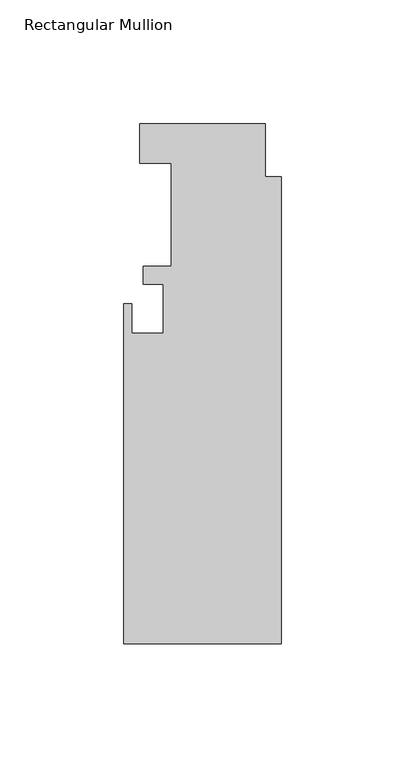
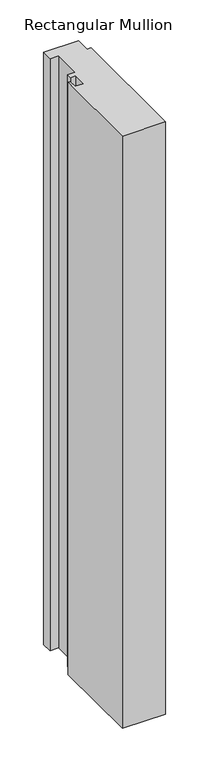
"""IFC4 building model written with IfcOpenShell, lengths in millimetres: member geometry, Rectangular Mullion."""

import ifcopenshell
import ifcopenshell.guid

model = None  # the IFC model being written
_history = None  # IfcOwnerHistory: only IFC2X3 demands one
_inside = {}  # id of a spatial element -> (the spatial element, [elements in it])
_under = {}  # id of a project, library or spatial element -> (it, [spatial elements below it])
_declared = {}  # id of a project -> (the project, [libraries it declares])
_typed = {}  # id of a type object -> (the type object, [elements of that type])
_made_of = {}  # id of a material, layer set ... -> (it, [elements and type objects made of it])


def new_model(schema):
    """Start an empty IFC model of exactly this schema.

    Asked for "IFC4X3", IfcOpenShell would pick the latest addendum, in which some entities
    have other attributes; the version numbers below select the first issue.
    IFC2X3 requires an IfcOwnerHistory on every rooted entity: one is made here for all.
    """
    global model, _history
    if schema == "IFC4X3":
        model = ifcopenshell.file(schema_version=(4, 3, 0, 0))
    else:
        model = ifcopenshell.file(schema=schema)
    _inside.clear()
    _under.clear()
    _declared.clear()
    _typed.clear()
    _made_of.clear()
    _history = None
    if model.schema == "IFC2X3":
        org = make("IfcOrganization", Name="unknown")
        user = make(
            "IfcPersonAndOrganization",
            ThePerson=make("IfcPerson", FamilyName="unknown"),
            TheOrganization=org,
        )
        app = make(
            "IfcApplication",
            ApplicationDeveloper=org,
            Version="unknown",
            ApplicationFullName="unknown",
            ApplicationIdentifier="unknown",
        )
        _history = make(
            "IfcOwnerHistory",
            OwningUser=user,
            OwningApplication=app,
            ChangeAction="ADDED",
            CreationDate=0,
        )
    return model


def make(cls, **values):
    """One entity of the class cls with the attributes given. An attribute that is None is left unset."""
    return model.create_entity(
        cls, **{name: value for name, value in values.items() if value is not None}
    )


def rooted(cls, **values):
    """An entity with a GlobalId (a new one), such as an element, a storey or a relation."""
    return make(cls, GlobalId=ifcopenshell.guid.new(), OwnerHistory=_history, **values)


def si_unit(unit_type, name, prefix=None):
    """IfcSIUnit, for example si_unit("LENGTHUNIT", "METRE", prefix="MILLI")."""
    return make("IfcSIUnit", UnitType=unit_type, Prefix=prefix, Name=name)


def assignment(units):
    """IfcUnitAssignment: the units of a project."""
    return None if units is None else make("IfcUnitAssignment", Units=units)


def point(xyz):
    """IfcCartesianPoint."""
    return None if xyz is None else make("IfcCartesianPoint", Coordinates=xyz)


def direction(xyz):
    """IfcDirection."""
    return None if xyz is None else make("IfcDirection", DirectionRatios=xyz)


def frame(location, z_axis=None, x_axis=None):
    """IfcAxis2Placement3D, a coordinate frame: its origin and axes. An axis left out is left unset."""
    return make(
        "IfcAxis2Placement3D",
        Location=point(location),
        Axis=direction(z_axis),
        RefDirection=direction(x_axis),
    )


def origin():
    """The frame at (0, 0, 0) with its axes left unset."""
    return frame((0.0, 0.0, 0.0))


def place(relative_to, where):
    """IfcLocalPlacement: puts the frame where relative to a parent placement (None: the world)."""
    return make(
        "IfcLocalPlacement", PlacementRelTo=relative_to, RelativePlacement=where
    )


def context(
    kind, dimensions, precision=None, world=None, true_north=None, identifier=None
):
    """IfcGeometricRepresentationContext, for example the 3D "Model" context."""
    return make(
        "IfcGeometricRepresentationContext",
        ContextIdentifier=identifier,
        ContextType=kind,
        CoordinateSpaceDimension=dimensions,
        Precision=precision,
        WorldCoordinateSystem=world,
        TrueNorth=true_north,
    )


def project(units=None, contexts=None):
    """IfcProject with its units and contexts."""
    return rooted(
        "IfcProject",
        Name="project",
        RepresentationContexts=contexts,
        UnitsInContext=assignment(units),
    )


def spatial(cls, under=None, at=None, **own):
    """A site, building, storey or space (cls), placed at a placement, below another one or the project."""
    s = rooted(cls, ObjectPlacement=at, **own)
    if under is not None:
        _under.setdefault(under.id(), (under, []))[1].append(s)
    return s


def polyline(points):
    """IfcPolyline through the points."""
    return make("IfcPolyline", Points=[point(p) for p in points])


def outline(outer, holes=None, kind="AREA"):
    """IfcArbitraryClosedProfileDef: a profile drawn as a closed curve; with holes, ...WithVoids."""
    if holes is None:
        return make("IfcArbitraryClosedProfileDef", ProfileType=kind, OuterCurve=outer)
    return make(
        "IfcArbitraryProfileDefWithVoids",
        ProfileType=kind,
        OuterCurve=outer,
        InnerCurves=holes,
    )


def extrude(swept, where, along, depth):
    """IfcExtrudedAreaSolid: the profile swept, set in the frame where, extruded along a direction by depth."""
    return make(
        "IfcExtrudedAreaSolid",
        SweptArea=swept,
        Position=where,
        ExtrudedDirection=direction(along),
        Depth=depth,
    )


def shape(context_of_items, identifier, shape_type, items):
    """IfcShapeRepresentation: the items that make up one representation, for example the "Body"."""
    return make(
        "IfcShapeRepresentation",
        ContextOfItems=context_of_items,
        RepresentationIdentifier=identifier,
        RepresentationType=shape_type,
        Items=items,
    )


def source(mapping_origin, context_of_items, identifier, shape_type, items):
    """IfcRepresentationMap: a shape defined once, which mapped items show again and again."""
    return make(
        "IfcRepresentationMap",
        MappingOrigin=mapping_origin,
        MappedRepresentation=shape(context_of_items, identifier, shape_type, items),
    )


def transform(
    local_origin,
    x_axis=None,
    y_axis=None,
    z_axis=None,
    scale=None,
    scale2=None,
    scale3=None,
    uniform=True,
):
    """IfcCartesianTransformationOperator3D, or its non-uniform kind. x_axis, y_axis, z_axis: its Axis1, 2, 3."""
    if uniform:
        return make(
            "IfcCartesianTransformationOperator3D",
            Axis1=direction(x_axis),
            Axis2=direction(y_axis),
            LocalOrigin=point(local_origin),
            Scale=scale,
            Axis3=direction(z_axis),
        )
    return make(
        "IfcCartesianTransformationOperator3DnonUniform",
        Axis1=direction(x_axis),
        Axis2=direction(y_axis),
        LocalOrigin=point(local_origin),
        Scale=scale,
        Axis3=direction(z_axis),
        Scale2=scale2,
        Scale3=scale3,
    )


def mapped(mapping_source, mapping_target):
    """IfcMappedItem: shows the shape of a source again, moved by a transform."""
    return make(
        "IfcMappedItem", MappingSource=mapping_source, MappingTarget=mapping_target
    )


def made_of(thing, what):
    """Note that an element or type object is made of a material, layer set ...; save() writes the relation."""
    if what is not None:
        _made_of.setdefault(what.id(), (what, []))[1].append(thing)
    return thing


def element(
    cls,
    number,
    at=None,
    inside=None,
    cuts=None,
    type_object=None,
    material=None,
    context=None,
    identifier="Body",
    shape_type=None,
    held_by="IfcProductDefinitionShape",
    body=None,
    shapes=None,
    **own,
):
    """One element of the class cls, such as IfcWall. Its Tag is "e" and its number.

    at: its placement. inside: the storey or other place that contains it. cuts: it is an
    opening in that element (IfcRelVoidsElement). A single representation is given by context,
    identifier, shape_type and body (its items); several are given by shapes. held_by: the class
    of the entity that holds the representations. save() writes the other relations.
    """
    e = rooted(cls, Tag="e%d" % number, ObjectPlacement=at, **own)
    if body is not None:
        shapes = [shape(context, identifier, shape_type, body)]
    if shapes is not None:
        e.Representation = make(held_by, Representations=shapes)
    if inside is not None:
        _inside.setdefault(inside.id(), (inside, []))[1].append(e)
    if cuts is not None:
        rooted(
            "IfcRelVoidsElement", RelatingBuildingElement=cuts, RelatedOpeningElement=e
        )
    if type_object is not None:
        _typed.setdefault(type_object.id(), (type_object, []))[1].append(e)
    return made_of(e, material)


def aggregate(whole, parts):
    """IfcRelAggregates: a whole, such as a stair, and the parts it consists of."""
    return rooted("IfcRelAggregates", RelatingObject=whole, RelatedObjects=parts)


def save(model, path):
    """Write the relations noted so far, then the file.

    IfcRelAggregates (storeys below a building ...), IfcRelContainedInSpatialStructure (elements
    in a storey), IfcRelDefinesByType, IfcRelAssociatesMaterial and IfcRelDeclares: one each for
    every whole, place, type object, material and project.
    """
    for whole, parts in _under.values():
        aggregate(whole, parts)
    for where, things in _inside.values():
        rooted(
            "IfcRelContainedInSpatialStructure",
            RelatedElements=things,
            RelatingStructure=where,
        )
    for kind, things in _typed.values():
        rooted("IfcRelDefinesByType", RelatedObjects=things, RelatingType=kind)
    for what, things in _made_of.values():
        rooted("IfcRelAssociatesMaterial", RelatedObjects=things, RelatingMaterial=what)
    for by, libraries in _declared.values():
        rooted("IfcRelDeclares", RelatingContext=by, RelatedDefinitions=libraries)
    model.write(path)


def rectangular_mullion_a0900e08(model_context):
    return source(origin(), model_context, "Body", "SweptSolid", [
        extrude(outline(polyline([(-6.35, 20.6756), (-6.35, -0.6096), (0.0, -0.6096), (0.0, -189.2554), (-63.5, -189.2554), (-63.5, -51.9176), (-60.325, -51.9176), (-60.325, -63.8302), (-47.625, -63.8302), (-47.625, -44.0182), (-55.5752, -44.0182), (-55.5752, -36.8554), (-44.45, -36.8554), (-44.45, 4.8006), (-57.15, 4.8006), (-57.15, 20.6756), (-6.35, 20.6756)])), frame((0.0, 0.0, -914.4), z_axis=(0.0, 0.0, 1.0), x_axis=(1.0, 0.0, 0.0)), (0.0, 0.0, 1.0), 914.4),
    ])


if __name__ == "__main__":
    model = new_model("IFC4")
    model_context = context("Model", 3, world=origin())
    ifc_project = project(units=[si_unit("LENGTHUNIT", "METRE", prefix="MILLI")], contexts=[model_context])
    site = spatial("IfcSite", under=ifc_project)
    building = spatial("IfcBuilding", under=site)
    placement = place(None, origin())
    rectangular_mullion_shape = rectangular_mullion_a0900e08(model_context)
    element("IfcMember", 1, ObjectType="Rectangular Mullion", at=placement, inside=building, context=model_context, shape_type="MappedRepresentation", body=[
        mapped(rectangular_mullion_shape, transform((0.0, 0.0, 0.0), x_axis=(1.0, 0.0, 0.0), y_axis=(0.0, 1.0, 0.0), z_axis=(0.0, 0.0, 1.0))),
    ])
    save(model, "model.ifc")
